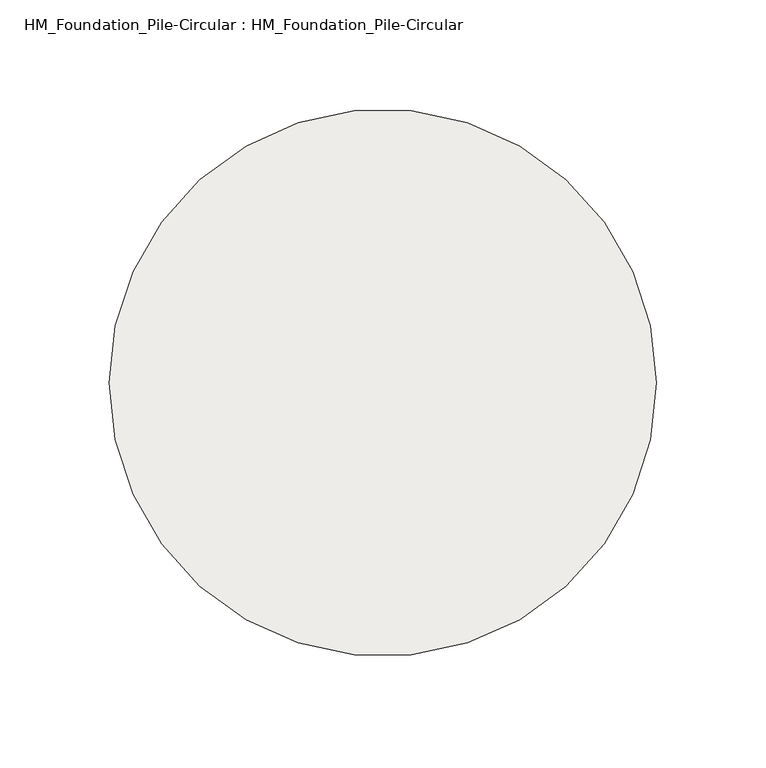
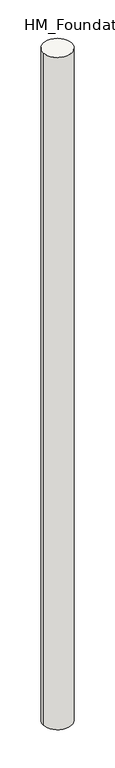
"""IFC4 building model written with IfcOpenShell, lengths in millimetres: slab geometry, HM_Foundation_Pile-Circular : HM_Foundation_Pile-Circular."""

from ifc_helpers import new_model, si_unit, point, frame, origin, origin_2d, place, context, project, spatial, circle_curve, trimmed, segment, composite_curve, outline, extrude, source, transform, mapped, element, save


def hm_foundation_pile_circular_hm_foundation_pile_circular_3f8957fb(model_context):
    return source(origin(), model_context, "Body", "SweptSolid", [
        extrude(outline(composite_curve([segment(trimmed(circle_curve(origin_2d(), 125.0), [point((125.0, 0.0))], [point((-125.0, 0.0))], False, "CARTESIAN"), True, "CONTINUOUS"), segment(trimmed(circle_curve(origin_2d(), 125.0), [point((-125.0, 0.0))], [point((125.0, 0.0))], False, "CARTESIAN"), True, "CONTINUOUS")], self_intersect=False)), frame((0.0, 0.0, -6000.0), z_axis=(0.0, 0.0, 1.0), x_axis=(1.0, 0.0, 0.0)), (0.0, 0.0, 1.0), 6150.0),
    ])


if __name__ == "__main__":
    model = new_model("IFC4")
    model_context = context("Model", 3, world=origin())
    ifc_project = project(units=[si_unit("LENGTHUNIT", "METRE", prefix="MILLI")], contexts=[model_context])
    site = spatial("IfcSite", under=ifc_project)
    building = spatial("IfcBuilding", under=site)
    placement = place(None, origin())
    hm_foundation_pile_circular_hm_foundation_pile_circular_shape = hm_foundation_pile_circular_hm_foundation_pile_circular_3f8957fb(model_context)
    element("IfcSlab", 1, ObjectType="HM_Foundation_Pile-Circular : HM_Foundation_Pile-Circular", at=placement, inside=building, context=model_context, shape_type="MappedRepresentation", body=[
        mapped(hm_foundation_pile_circular_hm_foundation_pile_circular_shape, transform((0.0, 0.0, 0.0), x_axis=(1.0, 0.0, 0.0), y_axis=(0.0, 1.0, 0.0), z_axis=(0.0, 0.0, 1.0))),
    ])
    save(model, "model.ifc")
